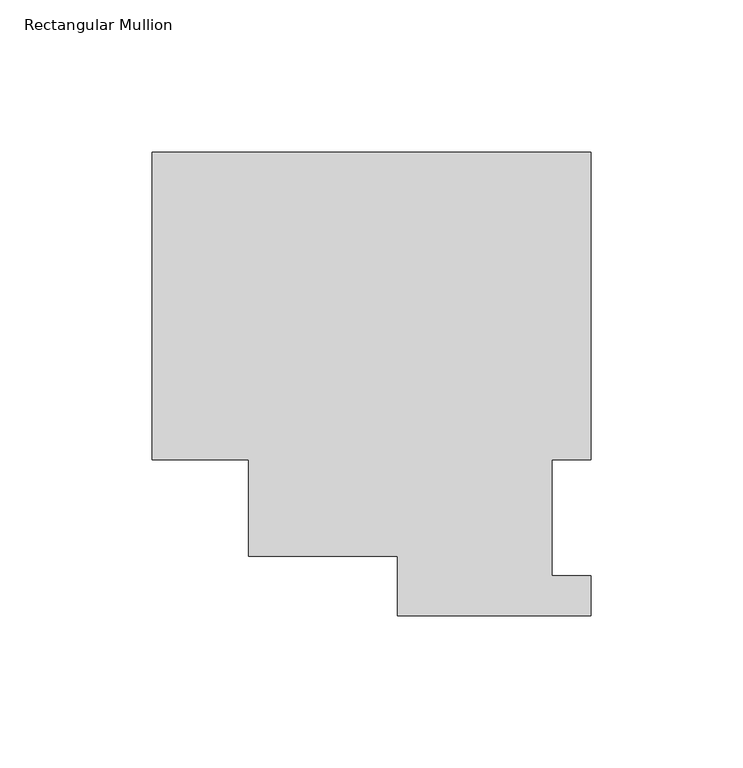
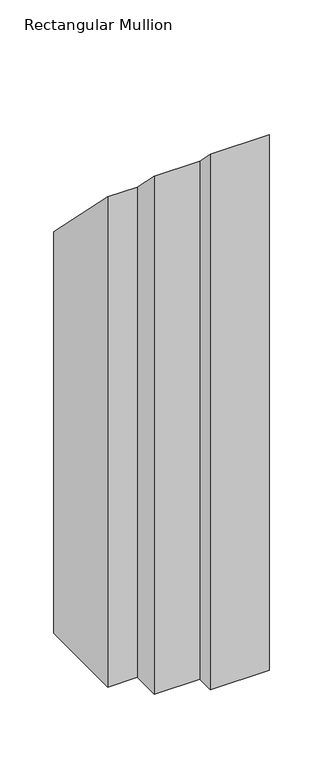
"""IFC4 building model written with IfcOpenShell, lengths in millimetres: member geometry, Rectangular Mullion."""

from ifc_helpers import new_model, si_unit, origin, place, context, project, spatial, faceted_brep, source, transform, mapped, element, save


def rectangular_mullion_ff137193(model_context):
    return source(origin(), model_context, "Body", "Brep", [
        faceted_brep([(-144.3735629, 152.4896937, -609.6023813), (0.0127, 152.4896937, -609.6023813), (0.0127, 51.2960937, -609.6023813), (-12.6873, 51.2960938, -609.6023813), (-12.6873, 13.1960937, -609.6023813), (0.0, 13.1960937, -609.6023813), (0.0, 0.0134937, -609.6023813), (-63.5, 0.0134937, -609.6023813), (-63.5, 19.5460937, -609.6023813), (-112.6235629, 19.5460937, -609.6023813), (-112.6235629, 51.2960937, -609.6023813), (-144.3735629, 51.2960938, -609.6023813), (-144.3735629, 51.2960938, -51.2960938), (-144.3735629, 152.4896937, -152.4896937), (-112.6235629, 51.2960937, -51.2960938), (-112.6235629, 19.5460937, -19.5460938), (-63.5, 19.5460937, -19.5460937), (-63.5, 0.0134937, -0.0134937), (0.0, 0.0134937, -0.0134937), (0.0, 13.1960937, -13.1960937), (-12.6873, 13.1960937, -13.1960937), (-12.6873, 51.2960938, -51.2960938), (0.0127, 51.2960937, -51.2960938), (0.0127, 152.4896937, -152.4896937)], [[[0, 1, 2, 3, 4, 5, 6, 7, 8, 9, 10, 11]], [[12, 13, 0, 11]], [[14, 12, 11, 10]], [[15, 14, 10, 9]], [[16, 15, 9, 8]], [[17, 16, 8, 7]], [[18, 17, 7, 6]], [[19, 18, 6, 5]], [[20, 19, 5, 4]], [[21, 20, 4, 3]], [[22, 21, 3, 2]], [[23, 22, 2, 1]], [[13, 23, 1, 0]], [[13, 12, 14, 15, 16, 17, 18, 19, 20, 21, 22, 23]]]),
    ])


if __name__ == "__main__":
    model = new_model("IFC4")
    model_context = context("Model", 3, world=origin())
    ifc_project = project(units=[si_unit("LENGTHUNIT", "METRE", prefix="MILLI")], contexts=[model_context])
    site = spatial("IfcSite", under=ifc_project)
    building = spatial("IfcBuilding", under=site)
    placement = place(None, origin())
    rectangular_mullion_shape = rectangular_mullion_ff137193(model_context)
    element("IfcMember", 1, ObjectType="Rectangular Mullion", at=placement, inside=building, context=model_context, shape_type="MappedRepresentation", body=[
        mapped(rectangular_mullion_shape, transform((0.0, 0.0, 0.0), x_axis=(1.0, 0.0, 0.0), y_axis=(0.0, 1.0, 0.0), z_axis=(0.0, 0.0, 1.0))),
    ])
    save(model, "model.ifc")
